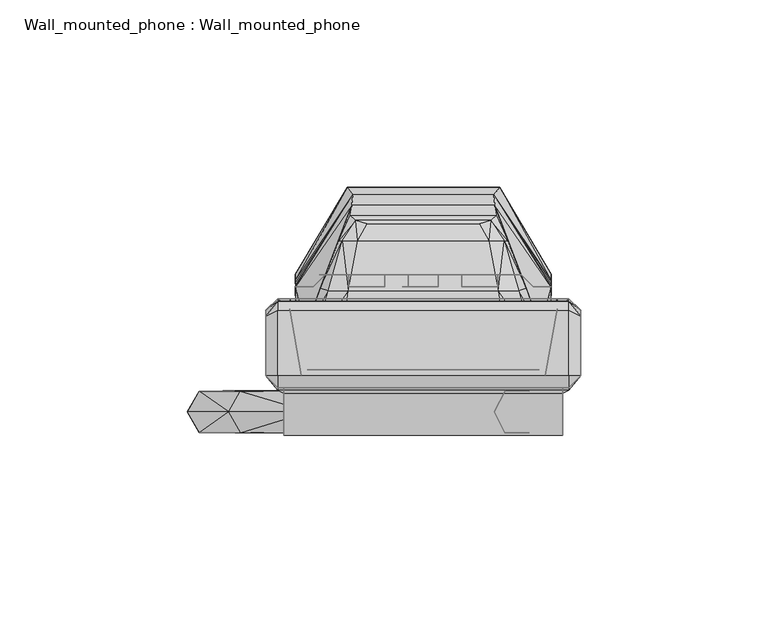
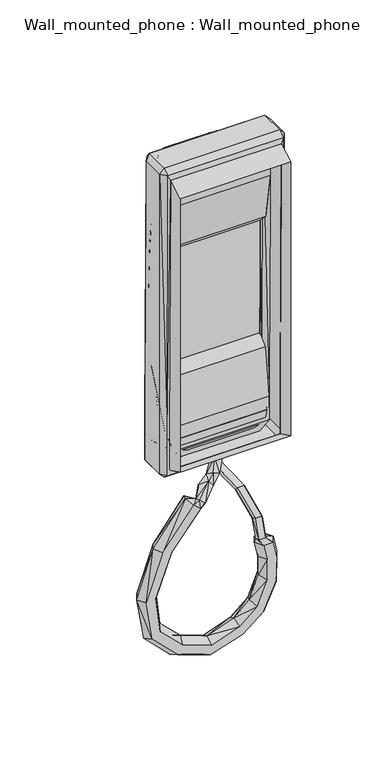
"""IFC4 building model written with IfcOpenShell, lengths in millimetres: proxy geometry, Wall_mounted_phone : Wall_mounted_phone."""

from ifc_helpers import new_model, si_unit, origin, place, context, project, spatial, triangles, source, transform, mapped, element, save


def wall_mounted_phone_wall_mounted_phone_d5e46bb4(model_context):
    return source(origin(), model_context, "Body", "Tessellation", [
        triangles([(-5.5562492, 39.6874985, 1098.4839988), (-5.5562492, 39.6874985, 1108.0089988), (3.968753, 39.6874985, 1098.4839988), (3.968753, 39.6874985, 1108.0089988), (-5.5562492, 39.6874985, 1084.1964988), (-5.5562492, 39.6874985, 1093.7214988), (3.968753, 39.6874985, 1084.1964988), (3.968753, 39.6874985, 1093.7214988), (-5.5562492, 39.6874985, 1112.7714988), (-5.5562492, 39.6874985, 1122.2964988), (3.968753, 39.6874985, 1112.7714988), (3.968753, 39.6874985, 1122.2964988), (-5.5562492, 42.8625, 1108.0089988), (3.968753, 42.8625, 1108.0089988), (3.968753, 42.8625, 1098.4839988), (-5.5562492, 42.8625, 1098.4839988), (-5.5562492, 42.8625, 1093.7214988), (3.968753, 42.8625, 1093.7214988), (3.968753, 42.8625, 1084.1964988), (-5.5562492, 42.8625, 1084.1964988), (-5.5562492, 42.8625, 1122.2964988), (3.968753, 42.8625, 1122.2964988), (3.968753, 42.8625, 1112.7714988), (-5.5562492, 42.8625, 1112.7714988), (-5.5562492, 39.6874985, 1127.0589988), (-5.5562492, 39.6874985, 1136.5839988), (3.968753, 39.6874985, 1127.0589988), (3.968753, 39.6874985, 1136.5839988), (-5.5562492, 42.8625, 1136.5839988), (3.968753, 42.8625, 1136.5839988), (3.968753, 42.8625, 1127.0589988), (-5.5562492, 42.8625, 1127.0589988), (-3.9687485, 39.6874985, 1122.2964988), (-3.9687485, 42.8625, 1122.2964988), (-3.9687485, 42.8625, 1112.7714988), (-3.9687485, 39.6874985, 1112.7714988), (-10.3187492, 39.6874985, 1122.2964988), (-10.3187492, 42.8625, 1122.2964988), (-10.3187492, 39.6874985, 1112.7714988), (-10.3187492, 42.8625, 1112.7714988), (-19.8437492, 42.8625045, 1112.7714988), (-19.8437492, 39.687503, 1112.7714988), (-19.8437492, 42.8625045, 1122.2964988), (-19.8437492, 39.687503, 1122.2964988), (-10.3187492, 39.6874985, 1108.0089988), (-10.3187492, 42.8625, 1108.0089988), (-10.3187492, 39.6874985, 1098.4839988), (-10.3187492, 42.8625, 1098.4839988), (-19.8437492, 42.8625045, 1098.4839988), (-19.8437492, 39.687503, 1098.4839988), (-19.8437492, 42.8625045, 1108.0089988), (-19.8437492, 39.687503, 1108.0089988), (-10.3187492, 39.6874985, 1093.7214988), (-10.3187492, 42.8625, 1093.7214988), (-10.3187492, 39.6874985, 1084.1964988), (-10.3187492, 42.8625, 1084.1964988), (-19.8437492, 42.8625045, 1084.1964988), (-19.8437492, 39.687503, 1084.1964988), (-19.8437492, 42.8625045, 1093.7214988), (-19.8437492, 39.687503, 1093.7214988), (-3.9687485, 39.6874985, 1093.7214988), (-3.9687485, 42.8625, 1093.7214988), (-3.9687485, 42.8625, 1084.1964988), (-3.9687485, 39.6874985, 1084.1964988), (-3.9687485, 39.6874985, 1108.0089988), (-3.9687485, 42.8625, 1108.0089988), (-3.9687485, 42.8625, 1098.4839988), (-3.9687485, 39.6874985, 1098.4839988), (-3.9687485, 39.6874985, 1136.5839988), (-3.9687485, 42.8625, 1136.5839988), (-3.9687485, 42.8625, 1127.0589988), (-3.9687485, 39.6874985, 1127.0589988), (-10.3187492, 39.6874985, 1136.5839988), (-10.3187492, 42.8625, 1136.5839988), (-10.3187492, 39.6874985, 1127.0589988), (-10.3187492, 42.8625, 1127.0589988), (-19.8437492, 42.8625045, 1127.0589988), (-19.8437492, 39.687503, 1127.0589988), (-19.8437492, 42.8625045, 1136.5839988), (-19.8437492, 39.687503, 1136.5839988), (10.3187515, 42.8625, 1122.2964988), (10.3187515, 39.6874985, 1122.2964988), (10.3187515, 39.6874985, 1112.7714988), (10.3187515, 42.8625, 1112.7714988), (19.8437515, 39.6874985, 1112.7714988), (19.8437515, 42.8624955, 1112.7714988), (19.8437515, 39.6874985, 1122.2964988), (19.8437515, 42.8624955, 1122.2964988), (10.3187515, 42.8625, 1108.0089988), (10.3187515, 39.6874985, 1108.0089988), (10.3187515, 39.6874985, 1098.4839988), (10.3187515, 42.8625, 1098.4839988), (19.8437515, 39.6874985, 1098.4839988), (19.8437515, 42.8624955, 1098.4839988), (19.8437515, 39.6874985, 1108.0089988), (19.8437515, 42.8624955, 1108.0089988), (10.3187515, 42.8625, 1093.7214988), (10.3187515, 39.6874985, 1093.7214988), (10.3187515, 39.6874985, 1084.1964988), (10.3187515, 42.8625, 1084.1964988), (19.8437515, 39.6874985, 1084.1964988), (19.8437515, 42.8624955, 1084.1964988), (19.8437515, 39.6874985, 1093.7214988), (19.8437515, 42.8624955, 1093.7214988), (10.3187515, 42.8625, 1136.5839988), (10.3187515, 39.6874985, 1136.5839988), (10.3187515, 39.6874985, 1127.0589988), (10.3187515, 42.8625, 1127.0589988), (19.8437515, 39.6874985, 1127.0589988), (19.8437515, 42.8624955, 1127.0589988), (19.8437515, 39.6874985, 1136.5839988), (19.8437515, 42.8624955, 1136.5839988)], [[1, 3, 2], [4, 2, 3], [5, 7, 6], [8, 6, 7], [9, 11, 10], [12, 10, 11], [2, 4, 13], [14, 13, 4], [3, 1, 15], [16, 15, 1], [6, 8, 17], [18, 17, 8], [7, 5, 19], [20, 19, 5], [10, 12, 21], [22, 21, 12], [11, 9, 23], [24, 23, 9], [25, 27, 26], [28, 26, 27], [26, 28, 29], [30, 29, 28], [27, 25, 31], [32, 31, 25], [33, 35, 34], [35, 33, 36], [37, 39, 38], [40, 38, 39], [41, 39, 42], [39, 41, 40], [43, 41, 44], [42, 44, 41], [38, 44, 37], [44, 38, 43], [45, 47, 46], [48, 46, 47], [49, 47, 50], [47, 49, 48], [51, 49, 52], [50, 52, 49], [46, 52, 45], [52, 46, 51], [53, 55, 54], [56, 54, 55], [57, 55, 58], [55, 57, 56], [59, 57, 60], [58, 60, 57], [54, 60, 53], [60, 54, 59], [61, 63, 62], [63, 61, 64], [65, 67, 66], [67, 65, 68], [37, 42, 39], [42, 37, 44], [45, 50, 47], [50, 45, 52], [53, 58, 55], [58, 53, 60], [69, 71, 70], [71, 69, 72], [73, 75, 74], [76, 74, 75], [77, 75, 78], [75, 77, 76], [79, 77, 80], [78, 80, 77], [74, 80, 73], [80, 74, 79], [73, 78, 75], [78, 73, 80], [12, 23, 22], [23, 12, 11], [81, 83, 82], [83, 81, 84], [85, 83, 86], [84, 86, 83], [87, 86, 88], [86, 87, 85], [82, 87, 81], [88, 81, 87], [89, 91, 90], [91, 89, 92], [93, 91, 94], [92, 94, 91], [95, 94, 96], [94, 95, 93], [90, 95, 89], [96, 89, 95], [97, 99, 98], [99, 97, 100], [101, 99, 102], [100, 102, 99], [103, 102, 104], [102, 103, 101], [98, 103, 97], [104, 97, 103], [8, 19, 18], [19, 8, 7], [4, 15, 14], [15, 4, 3], [83, 85, 82], [87, 82, 85], [91, 93, 90], [95, 90, 93], [99, 101, 98], [103, 98, 101], [28, 31, 30], [31, 28, 27], [105, 107, 106], [107, 105, 108], [109, 107, 110], [108, 110, 107], [111, 110, 112], [110, 111, 109], [106, 111, 105], [112, 105, 111], [107, 109, 106], [111, 106, 109]], closed=False),
        triangles([(4.2898226, 43.7835512, 1011.8959429), (-0.4726774, 43.7835557, 1011.8959429), (-0.5678523, 46.6126481, 997.0744457), (4.1946477, 46.6126481, 997.0744457), (-0.5678523, 43.4254335, 997.0165095), (-0.4726819, 40.7412632, 1010.7540068), (4.1946477, 43.4254335, 997.0165095), (4.2898181, 40.7412587, 1010.7540068), (8.1443839, 39.5540764, 981.5109334), (3.3818839, 39.5540764, 981.5109334), (-16.7317708, 11.8254648, 873.3851932), (5.1529286, 11.8254626, 880.1334368), (-15.8151479, 11.8655128, 879.7604581), (3.3383409, 11.8655117, 886.3133648), (-55.8877894, 11.8254682, 898.1180949), (-38.9999323, 11.8254671, 881.4927288), (-35.517767, 11.8655151, 886.9110754), (-50.4694297, 11.8655162, 901.6002588), (19.2540846, 11.8254614, 891.6533005), (15.0362506, 11.8655105, 896.520954), (27.7416842, 11.8254603, 910.3872588), (21.8829121, 11.8655105, 913.0628585), (28.3210729, 11.8254603, 927.8124851), (25.7727183, 11.8254603, 938.6319919), (19.331905, 11.8655105, 938.6319919), (21.8802597, 11.8655105, 927.8124851), (-48.8428359, 11.8254671, 957.205731), (-42.6629235, 11.8655151, 955.3911615), (-28.0298014, 11.8254648, 983.8766139), (-23.1621616, 11.8655139, 979.6587754), (2.6901701, 19.9043469, 997.9039554), (-2.059976, 15.0223162, 989.5015794), (-2.5467695, 19.9043469, 997.9192342), (-6.4864, 15.022315, 990.9056907), (-2.5406925, 23.6110656, 997.9926127), (-9.6080323, 17.7266297, 989.8396947), (-11.3676678, 11.7902415, 988.7535691), (-17.324617, 13.5024859, 987.0523103), (2.6962471, 23.6110656, 997.9773157), (-7.226864, 17.7266308, 985.4681047), (-14.8260164, 13.5024836, 982.1691055), (-8.1532292, 11.7902415, 984.3819973), (3.3818839, 36.9626603, 984.3383953), (8.1443839, 36.9626603, 984.3383953), (15.8142146, 17.4791441, 972.7512029), (11.0517146, 17.4791441, 972.7512029), (11.0517146, 19.6019808, 970.2630735), (15.8142146, 19.6019808, 970.2630735), (-53.5253234, 11.8655162, 926.3059637), (-59.9005804, 11.8254682, 925.3893409), (-15.8052785, 0.7096996, 879.8290949), (3.3187972, 0.709698, 886.3799305), (5.1333803, 0.6696506, 880.2000025), (-16.721899, 0.6696525, 873.4538663), (-15.3519041, 6.3076319, 882.9823908), (2.421273, 6.3076302, 889.4365754), (-17.1851452, 6.2275331, 870.2318973), (6.0504483, 6.2275325, 877.0767557), (-50.3033675, 6.3076347, 926.7692167), (-47.7310772, 6.307633, 903.3600714), (-53.4566673, 0.7097029, 926.3158286), (-50.4110769, 0.7097026, 901.6377565), (-55.829432, 0.6696559, 898.1555926), (-38.9624312, 0.6696544, 881.5510828), (-40.7222645, 6.2275365, 878.8127325), (-58.5677857, 6.2275382, 896.3957436), (-35.4802676, 0.7097013, 886.9694294), (-33.7579339, 6.3076319, 889.6494257), (14.9908183, 0.7096969, 896.573349), (19.2086567, 0.6696493, 891.7057319), (21.3402853, 6.2275297, 889.2456713), (12.9046175, 6.3076279, 898.9809782), (30.6395133, 6.2275286, 909.0638657), (27.6785794, 0.6696486, 910.4160724), (21.8198119, 0.7096963, 913.0916722), (18.9219737, 6.307629, 914.4150834), (28.2517094, 0.6696486, 927.8124851), (25.7033502, 0.6696487, 938.6319919), (28.9584432, 6.2275308, 938.6319919), (31.5067978, 6.2275286, 927.8124851), (18.6251713, 6.307629, 927.8124851), (16.0768167, 6.307629, 938.6319919), (19.2625415, 0.7096965, 938.6319919), (21.8108962, 0.7096963, 927.8124851), (21.5106374, 1.8586255, 942.7009477), (21.5106374, 5.7213163, 941.6053569), (16.7481374, 5.7213168, 941.6053569), (16.7481374, 1.8586258, 942.7009477), (-42.5963679, 0.7097019, 955.3716133), (-23.109737, 0.7097002, 979.6133567), (-39.5396863, 6.3076325, 954.4740845), (-20.7021271, 6.3076308, 977.5271468), (-27.9773791, 0.6696535, 983.8311952), (-48.776281, 0.6696552, 957.1862009), (-19.4172355, 1.8185804, 981.8787889), (-20.1282091, 5.6812745, 981.0452097), (-23.0407527, 1.818579, 984.9693524), (21.6790683, 9.7904351, 953.502832), (22.0159254, 7.0548911, 954.8417582), (16.9165683, 9.7904328, 953.502832), (17.2534254, 7.0548899, 954.8417582), (-51.8995154, 6.2275359, 958.1032597), (-30.4374102, 6.2275342, 985.9628238), (-23.7517263, 5.6812751, 984.1357732), (-59.8319221, 0.6696562, 925.399224), (-63.0538797, 6.2275388, 924.935971)], [[1, 3, 2], [3, 1, 4], [3, 5, 2], [5, 6, 2], [1, 7, 4], [1, 8, 7], [6, 7, 8], [7, 6, 5], [4, 9, 3], [10, 3, 9], [11, 13, 12], [13, 14, 12], [15, 17, 16], [17, 15, 18], [16, 17, 11], [13, 11, 17], [12, 14, 19], [14, 20, 19], [19, 20, 21], [20, 22, 21], [23, 25, 24], [25, 23, 26], [23, 22, 26], [23, 21, 22], [27, 29, 28], [29, 30, 28], [31, 33, 32], [33, 34, 32], [35, 36, 33], [36, 34, 33], [36, 37, 34], [36, 38, 37], [39, 32, 40], [39, 31, 32], [35, 40, 36], [35, 39, 40], [40, 41, 36], [41, 38, 36], [42, 34, 37], [42, 32, 34], [32, 42, 40], [42, 41, 40], [43, 45, 44], [45, 43, 46], [5, 10, 43], [5, 3, 10], [44, 9, 7], [9, 4, 7], [5, 43, 7], [44, 7, 43], [10, 47, 43], [47, 46, 43], [44, 48, 9], [44, 45, 48], [9, 47, 10], [47, 9, 48], [49, 18, 50], [18, 15, 50], [28, 49, 27], [49, 50, 27], [51, 53, 52], [51, 54, 53], [51, 52, 55], [52, 56, 55], [57, 58, 54], [58, 53, 54], [59, 61, 60], [61, 62, 60], [63, 65, 64], [63, 66, 65], [62, 63, 67], [64, 67, 63], [60, 67, 68], [60, 62, 67], [67, 51, 68], [51, 55, 68], [65, 57, 64], [57, 54, 64], [67, 54, 51], [54, 67, 64], [52, 70, 69], [52, 53, 70], [58, 71, 53], [71, 70, 53], [52, 69, 56], [69, 72, 56], [71, 73, 70], [73, 74, 70], [69, 74, 75], [69, 70, 74], [69, 75, 72], [75, 76, 72], [77, 79, 78], [79, 77, 80], [81, 83, 82], [83, 81, 84], [84, 77, 83], [78, 83, 77], [74, 77, 75], [77, 84, 75], [76, 84, 81], [76, 75, 84], [74, 80, 77], [74, 73, 80], [85, 78, 86], [78, 79, 86], [83, 87, 82], [83, 88, 87], [88, 83, 85], [83, 78, 85], [89, 91, 90], [91, 92, 90], [93, 89, 90], [93, 94, 89], [95, 90, 96], [90, 92, 96], [95, 97, 90], [97, 93, 90], [91, 89, 59], [89, 61, 59], [98, 85, 86], [98, 99, 85], [87, 88, 100], [88, 101, 100], [98, 87, 100], [87, 98, 86], [101, 85, 99], [85, 101, 88], [102, 94, 103], [94, 93, 103], [93, 104, 103], [93, 97, 104], [62, 105, 63], [62, 61, 105], [105, 106, 63], [106, 66, 63], [94, 102, 105], [102, 106, 105], [61, 94, 105], [61, 89, 94], [14, 55, 56], [14, 13, 55], [58, 11, 12], [58, 57, 11], [49, 60, 18], [49, 59, 60], [106, 15, 66], [106, 50, 15], [18, 60, 17], [60, 68, 17], [66, 15, 65], [15, 16, 65], [13, 68, 55], [13, 17, 68], [57, 16, 11], [57, 65, 16], [71, 12, 19], [71, 58, 12], [20, 56, 72], [20, 14, 56], [73, 19, 21], [73, 71, 19], [22, 72, 76], [22, 20, 72], [80, 23, 79], [24, 79, 23], [26, 81, 25], [82, 25, 81], [22, 76, 26], [76, 81, 26], [73, 21, 80], [21, 23, 80], [86, 79, 24], [82, 87, 25], [25, 86, 24], [25, 87, 86], [91, 30, 92], [91, 28, 30], [27, 103, 29], [27, 102, 103], [95, 37, 97], [95, 42, 37], [104, 30, 29], [104, 96, 30], [96, 92, 30], [103, 104, 29], [38, 96, 104], [38, 41, 96], [42, 96, 41], [42, 95, 96], [38, 104, 37], [104, 97, 37], [48, 98, 47], [100, 47, 98], [45, 99, 48], [99, 98, 48], [47, 101, 46], [47, 100, 101], [46, 101, 45], [99, 45, 101], [102, 50, 106], [102, 27, 50], [28, 59, 49], [28, 91, 59]], closed=False),
        triangles([(-18.8494036, 64.1608548, 1050.8590079), (18.8494081, 64.1608548, 1050.8590079), (20.3732477, 66.2132322, 1109.5965019), (-20.3732432, 66.2132322, 1109.5965019), (-19.442561, 58.7403054, 1022.6117495), (19.4425632, 58.7403054, 1022.6117495), (19.145988, 61.4140702, 1030.8958369), (-19.1459812, 61.4140702, 1030.8958369), (18.013231, 57.4402757, 1019.8173344), (-18.0132242, 57.4402757, 1019.8173344), (-14.9785484, 56.4760404, 1018.3167355), (14.9785507, 56.4760404, 1018.3167355), (-17.5431289, 51.8890702, 1015.0208248), (17.5431334, 51.8890702, 1015.0208248), (-33.9269302, 38.2426285, 1074.6714988), (-30.9562477, 39.687503, 1077.8465049), (33.9269353, 38.2426194, 1074.6714988), (29.3687515, 39.6874985, 1077.8465049), (-27.7812474, 42.8625045, 1081.0215019), (26.19375, 42.8624955, 1081.0215019), (33.9117655, 37.6637439, 1070.9706255), (-33.9117569, 37.6637507, 1070.9706255), (33.8745675, 31.749997, 1063.5589958), (-33.8745658, 31.7500038, 1063.5589958), (33.9224025, 36.4899852, 1068.3215049), (-33.922398, 36.4899897, 1068.3215049), (-18.1585505, 28.846704, 1048.4777579), (-33.8700239, 30.162503, 1060.3840079), (18.1585528, 28.8466972, 1048.4777579), (33.8700256, 30.1624962, 1060.3840079), (-22.0944272, 17.4625015, 1011.1714958), (22.0944317, 17.4625004, 1011.1714958), (-22.0950381, 22.9024561, 1008.1336362), (22.0950358, 22.9024538, 1008.1336362), (18.2891634, 22.4966987, 1025.4589958), (30.95625, 17.462497, 1021.1863278), (-18.2891634, 22.4967032, 1025.4589958), (-30.95625, 17.4625049, 1021.1863278), (29.8133101, 17.462497, 1013.9087561), (-29.813309, 17.4625049, 1013.9087561), (20.0010048, 38.3601313, 1010.1367298), (-20.000998, 38.3601358, 1010.1367298), (19.4425632, 58.7403054, 1196.5812474), (-19.442561, 58.7403054, 1196.5812474), (19.145988, 61.4140702, 1188.2971736), (-19.1459812, 61.4140702, 1188.2971736), (-18.8494036, 64.1608548, 1168.3340004), (18.8494081, 64.1608548, 1168.3340004), (-18.0132242, 57.4402757, 1199.3756762), (18.013231, 57.4402757, 1199.3756762), (-14.9785484, 56.4760404, 1200.8762625), (14.9785507, 56.4760404, 1200.8762625), (17.5431334, 51.8890702, 1204.1721664), (-17.5431289, 51.8890702, 1204.1721664), (29.3687515, 39.6874985, 1141.3464988), (26.19375, 42.8624955, 1138.1715019), (-30.9562477, 39.687503, 1141.3464988), (-27.7812474, 42.8625045, 1138.1715019), (-33.9117569, 37.6637507, 1148.2223827), (33.9117655, 37.6637439, 1148.2223827), (33.9269353, 38.2426194, 1144.5215004), (-33.9269302, 38.2426285, 1144.5215004), (-33.8745658, 31.7500038, 1155.6340034), (33.8745675, 31.749997, 1155.6340034), (33.9224025, 36.4899852, 1150.8715034), (-33.922398, 36.4899897, 1150.8715034), (30.95625, 17.462497, 1198.0066691), (18.2891634, 22.4966987, 1193.7340011), (-18.2891634, 22.4967032, 1193.7340011), (-30.95625, 17.4625049, 1198.0066691), (22.0944317, 17.4625004, 1208.0215022), (-22.0944272, 17.4625015, 1208.0215022), (-22.0950381, 22.9024561, 1211.0593738), (22.0950358, 22.9024538, 1211.0593738), (29.8133101, 17.462497, 1205.2842534), (-29.813309, 17.4625049, 1205.2842534), (-33.8700239, 30.162503, 1158.8090004), (-18.1585505, 28.846704, 1170.7152504), (18.1585528, 28.8466972, 1170.7152504), (33.8700256, 30.1624962, 1158.8090004), (20.0010048, 38.3601313, 1209.056274), (-20.000998, 38.3601358, 1209.056274), (-21.5881604, 51.8890702, 1016.7307858), (-22.5235911, 51.8890702, 1020.6341086), (-34.1278928, 40.3339707, 1065.1465079), (-34.1247952, 40.9504301, 1068.3215049), (-34.1338245, 41.2407376, 1071.4965019), (-29.3687481, 39.687503, 1077.8465049), (-34.1312475, 39.687503, 1109.5965019), (-29.3687481, 39.687503, 1109.5965019), (-33.863038, 39.9095007, 1109.5965019), (-34.1378912, 43.0051285, 1109.5965019), (-28.9301609, 25.3575093, 1011.4742753), (-31.2168321, 28.6168761, 1020.4875514), (-34.1743863, 39.5469638, 1061.9715019), (-25.4331996, 38.589941, 1012.1739056), (-27.494193, 39.1644563, 1018.8807636), (-21.5881604, 51.8890702, 1202.4622122), (-22.5235911, 51.8890702, 1198.5589019), (-34.1278928, 40.3339707, 1154.0465004), (-34.1247952, 40.9504301, 1150.8715034), (-34.1338245, 41.2407376, 1147.6965019), (-28.9301609, 25.3575093, 1207.7187284), (-31.2168321, 28.6168761, 1198.7054591), (-34.1743863, 39.5469638, 1157.2215019), (-25.4331996, 38.589941, 1207.0191039), (-27.494193, 39.1644563, 1200.3122526), (-29.3687481, 39.687503, 1141.3464988), (-26.1937466, 42.8625045, 1081.0215019), (-26.1937466, 42.8625045, 1138.1715019), (21.5881627, 51.8890702, 1016.7307858), (22.5235979, 51.8890702, 1020.6341086), (34.1278951, 40.3339616, 1065.1465079), (34.1248021, 40.950421, 1068.3215049), (34.1338313, 41.2407285, 1071.4965019), (34.1312515, 39.6874985, 1109.5965019), (29.3687515, 39.6874985, 1109.5965019), (33.8630448, 39.9094962, 1109.5965019), (34.1378917, 43.0051194, 1109.5965019), (28.9301655, 25.3575024, 1011.4742753), (31.2168355, 28.6168693, 1020.4875514), (34.1743902, 39.5469593, 1061.9715019), (25.4332041, 38.5899365, 1012.1739056), (27.4941975, 39.1644517, 1018.8807636), (21.5881627, 51.8890702, 1202.4622122), (22.5235979, 51.8890702, 1198.5589019), (34.1278951, 40.3339616, 1154.0465004), (34.1248021, 40.950421, 1150.8715034), (34.1338313, 41.2407285, 1147.6965019), (28.9301655, 25.3575024, 1207.7187284), (31.2168355, 28.6168693, 1198.7054591), (34.1743902, 39.5469593, 1157.2215019), (25.4332041, 38.5899365, 1207.0191039), (27.4941975, 39.1644517, 1200.3122526), (-38.8937481, 36.5125038, 1001.6464958), (-29.3687481, 36.5125038, 1004.8215019), (-35.7187483, 36.5125038, 1011.1714958), (-42.0687485, 33.3375023, 1001.6464958), (-38.8937484, 33.3375023, 998.4715079), (-38.8937481, 36.5125038, 1011.1714958), (-42.0687485, 33.3375023, 1031.8090079), (38.8937515, 36.512497, 1001.6464958), (29.3687515, 36.512497, 1004.8215019), (38.8937515, 33.3374977, 998.4715079), (35.7187545, 36.512497, 1011.1714958), (42.0687485, 33.3374977, 1001.6464958), (38.8937515, 36.512497, 1011.1714958), (42.0687485, 33.3374977, 1031.8090079), (26.19375, 17.462497, 1007.9965079), (32.543753, 17.0324133, 1013.9253611), (-26.19375, 17.4625049, 1007.9965079), (-32.5437502, 17.0324213, 1013.9253611), (-32.5437502, 17.5301221, 1030.3262496), (32.543753, 17.5301153, 1030.3262496), (32.543753, 21.6856699, 1063.1050083), (-32.5437491, 21.6856744, 1063.1050083), (38.8937515, 12.6999981, 1001.6464958), (37.3062485, 12.6999981, 1004.8215019), (38.8937515, 12.6999981, 1031.8090079), (37.3062485, 12.6999981, 1031.8090079), (-38.8937501, 12.7000026, 1001.6464958), (-37.3062505, 12.7000026, 1004.8215019), (-38.8937501, 12.7000026, 1031.8090079), (-37.3062505, 12.7000026, 1031.8090079), (42.0687485, 15.8749985, 1001.6464958), (38.8937515, 15.8749985, 998.4715079), (42.0687485, 15.8749985, 1031.8090079), (-38.8937501, 15.875003, 998.4715079), (-42.06875, 15.875003, 1001.6464958), (-42.06875, 15.875003, 1031.8090079), (4.6112556, 18.7824462, 998.2533526), (4.6112556, 25.1324435, 998.2533526), (-4.9137467, 18.7824439, 998.2533526), (-4.9137467, 25.1324435, 998.2533526), (-32.5437491, 28.4203151, 1069.1033431), (32.543753, 28.4203106, 1069.1033431), (38.8937515, 35.7461171, 1215.9590018), (42.0687485, 31.749997, 1215.9590018), (38.8937515, 33.3374977, 1219.1340019), (-42.0687486, 31.7500038, 1215.9590018), (-38.8937481, 35.7461216, 1215.9590018), (-38.8937484, 33.3375023, 1219.1340019), (29.3687515, 35.3611683, 1214.3715019), (35.7187545, 33.8276976, 1208.0215022), (-29.3687481, 35.3611751, 1214.3715019), (-35.7187483, 33.8277045, 1208.0215022), (32.543753, 16.1785694, 1203.6820562), (26.19375, 17.1463405, 1210.0320564), (-26.19375, 17.1463473, 1210.0320564), (-32.5437502, 16.1785773, 1203.6820562), (-32.5437502, 16.0985552, 1188.9185383), (32.543753, 16.0985484, 1188.9185383), (38.8937515, 11.9336193, 1215.9590018), (37.3062485, 11.1249977, 1212.6090004), (-38.8937504, 11.9336239, 1215.9590018), (-37.3062505, 11.1250023, 1212.6090004), (-42.06875, 15.875003, 1215.9590018), (-38.8937501, 15.875003, 1219.1340019), (38.8937515, 15.8749985, 1219.1340019), (42.0687485, 15.8749985, 1215.9590018), (-32.5437491, 21.4414987, 1156.5063929), (32.543753, 21.4414942, 1156.5063929), (-32.5437491, 27.8005401, 1149.7318791), (32.543753, 27.8005356, 1149.7318791), (37.3062485, -3.3e-06, 1011.1714958), (-37.3062516, 3.3e-06, 1011.1714958), (37.3062485, -3.3e-06, 1206.4340015), (-37.3062516, 3.3e-06, 1206.4340015)], [[1, 3, 2], [3, 1, 4], [5, 7, 6], [7, 5, 8], [8, 1, 7], [2, 7, 1], [9, 11, 10], [11, 9, 12], [13, 12, 14], [12, 13, 11], [6, 9, 5], [10, 5, 9], [15, 17, 16], [18, 16, 17], [16, 18, 19], [20, 19, 18], [21, 17, 22], [15, 22, 17], [23, 25, 24], [26, 24, 25], [25, 22, 26], [22, 25, 21], [27, 29, 28], [30, 28, 29], [31, 33, 32], [34, 32, 33], [35, 37, 36], [38, 36, 37], [32, 39, 31], [40, 31, 39], [36, 38, 39], [40, 39, 38], [35, 29, 37], [27, 37, 29], [30, 24, 28], [24, 30, 23], [33, 41, 34], [41, 33, 42], [42, 13, 41], [14, 41, 13], [43, 45, 44], [46, 44, 45], [45, 47, 46], [47, 45, 48], [49, 51, 50], [52, 50, 51], [53, 52, 54], [51, 54, 52], [44, 50, 43], [50, 44, 49], [55, 57, 56], [58, 56, 57], [59, 61, 60], [61, 59, 62], [61, 62, 55], [57, 55, 62], [63, 65, 64], [65, 63, 66], [66, 59, 65], [60, 65, 59], [67, 69, 68], [69, 67, 70], [71, 73, 72], [73, 71, 74], [72, 75, 71], [75, 72, 76], [75, 70, 67], [70, 75, 76], [77, 79, 78], [79, 77, 80], [69, 79, 68], [79, 69, 78], [74, 81, 73], [82, 73, 81], [77, 63, 80], [64, 80, 63], [81, 54, 82], [54, 81, 53], [13, 10, 11], [13, 83, 10], [5, 10, 84], [10, 83, 84], [84, 8, 5], [24, 26, 85], [22, 86, 26], [86, 85, 26], [15, 87, 22], [87, 86, 22], [15, 89, 88], [89, 90, 88], [91, 92, 15], [92, 87, 15], [38, 27, 28], [38, 37, 27], [40, 94, 93], [40, 38, 94], [40, 93, 31], [93, 33, 31], [38, 28, 94], [28, 95, 94], [93, 42, 33], [93, 96, 42], [95, 24, 85], [95, 28, 24], [97, 96, 94], [96, 93, 94], [84, 97, 8], [97, 94, 8], [8, 95, 1], [8, 94, 95], [87, 4, 1], [87, 92, 4], [1, 95, 85], [1, 86, 87], [1, 85, 86], [97, 83, 96], [97, 84, 83], [96, 83, 42], [83, 13, 42], [51, 49, 54], [49, 98, 54], [99, 49, 44], [99, 98, 49], [44, 46, 99], [100, 66, 63], [66, 101, 59], [66, 100, 101], [59, 102, 62], [59, 101, 102], [103, 104, 76], [104, 70, 76], [72, 103, 76], [72, 73, 103], [77, 78, 70], [78, 69, 70], [100, 63, 105], [63, 77, 105], [73, 82, 103], [82, 106, 103], [104, 106, 107], [104, 103, 106], [104, 77, 70], [104, 105, 77], [47, 105, 46], [105, 104, 46], [46, 107, 99], [46, 104, 107], [82, 98, 106], [82, 54, 98], [106, 98, 107], [98, 99, 107], [102, 101, 47], [101, 100, 47], [100, 105, 47], [89, 108, 90], [89, 62, 108], [62, 92, 91], [62, 102, 92], [88, 110, 109], [110, 88, 108], [47, 4, 102], [4, 92, 102], [12, 9, 14], [9, 111, 14], [112, 9, 6], [112, 111, 9], [6, 7, 112], [113, 25, 23], [25, 114, 21], [25, 113, 114], [21, 115, 17], [21, 114, 115], [17, 116, 18], [116, 117, 18], [17, 119, 118], [17, 115, 119], [30, 29, 36], [29, 35, 36], [120, 121, 39], [121, 36, 39], [32, 120, 39], [32, 34, 120], [121, 30, 36], [121, 122, 30], [34, 41, 120], [41, 123, 120], [113, 23, 122], [23, 30, 122], [121, 123, 124], [121, 120, 123], [7, 124, 112], [7, 121, 124], [2, 122, 7], [122, 121, 7], [2, 3, 115], [3, 119, 115], [113, 122, 2], [115, 114, 2], [114, 113, 2], [123, 111, 124], [111, 112, 124], [41, 111, 123], [41, 14, 111], [53, 50, 52], [53, 125, 50], [43, 50, 126], [50, 125, 126], [126, 45, 43], [64, 65, 127], [60, 128, 65], [128, 127, 65], [61, 129, 60], [129, 128, 60], [75, 131, 130], [75, 67, 131], [75, 130, 71], [130, 74, 71], [67, 79, 80], [67, 68, 79], [132, 64, 127], [132, 80, 64], [130, 81, 74], [130, 133, 81], [134, 133, 131], [133, 130, 131], [67, 80, 131], [80, 132, 131], [45, 132, 48], [45, 131, 132], [126, 134, 45], [134, 131, 45], [133, 125, 81], [125, 53, 81], [134, 125, 133], [134, 126, 125], [48, 128, 129], [48, 127, 128], [48, 132, 127], [116, 55, 117], [116, 61, 55], [118, 119, 61], [119, 129, 61], [18, 56, 20], [56, 18, 55], [129, 3, 48], [129, 119, 3], [19, 20, 58], [56, 58, 20], [48, 3, 47], [4, 47, 3], [135, 137, 136], [135, 139, 138], [138, 140, 135], [140, 138, 141], [135, 140, 137], [142, 135, 143], [136, 143, 135], [142, 139, 135], [139, 142, 144], [143, 145, 142], [146, 144, 142], [145, 147, 142], [142, 147, 146], [148, 146, 147], [149, 151, 150], [152, 150, 151], [152, 153, 150], [154, 150, 153], [153, 155, 154], [155, 153, 156], [157, 159, 158], [160, 158, 159], [161, 158, 162], [158, 161, 157], [163, 161, 164], [162, 164, 161], [165, 157, 166], [165, 159, 157], [159, 165, 167], [166, 161, 168], [161, 166, 157], [168, 161, 169], [161, 163, 169], [170, 169, 163], [171, 173, 172], [174, 172, 173], [156, 175, 155], [176, 155, 175], [145, 155, 176], [145, 150, 155], [152, 137, 156], [137, 175, 156], [149, 145, 143], [149, 150, 145], [151, 149, 136], [143, 136, 149], [137, 151, 136], [137, 152, 151], [139, 168, 138], [169, 138, 168], [169, 141, 138], [141, 169, 170], [144, 166, 139], [168, 139, 166], [146, 166, 144], [166, 146, 165], [146, 148, 165], [167, 165, 148], [177, 179, 178], [180, 182, 181], [183, 177, 184], [181, 177, 185], [183, 185, 177], [179, 177, 182], [181, 182, 177], [181, 185, 186], [187, 189, 188], [189, 187, 190], [187, 191, 190], [191, 187, 192], [193, 195, 194], [196, 194, 195], [195, 198, 197], [195, 199, 198], [199, 195, 193], [200, 199, 193], [201, 192, 202], [192, 201, 191], [203, 201, 204], [202, 204, 201], [203, 186, 201], [186, 191, 201], [204, 202, 184], [202, 192, 184], [183, 184, 188], [184, 187, 188], [184, 192, 187], [179, 199, 178], [200, 178, 199], [199, 182, 198], [182, 199, 179], [185, 188, 189], [188, 185, 183], [185, 189, 186], [189, 190, 186], [186, 190, 191], [180, 198, 182], [198, 180, 197], [175, 204, 176], [204, 175, 203], [137, 203, 175], [137, 186, 203], [145, 204, 184], [145, 176, 204], [180, 181, 141], [181, 140, 141], [181, 186, 140], [186, 137, 140], [148, 177, 178], [148, 147, 177], [147, 184, 177], [147, 145, 184], [167, 200, 159], [200, 193, 159], [159, 194, 160], [159, 193, 194], [196, 163, 164], [196, 195, 163], [163, 197, 170], [163, 195, 197], [170, 197, 141], [180, 141, 197], [148, 200, 167], [200, 148, 178], [158, 205, 162], [206, 162, 205], [196, 207, 194], [207, 196, 208], [206, 208, 162], [164, 162, 208], [158, 207, 205], [207, 158, 160], [160, 194, 207], [208, 196, 164]], closed=False),
    ])


if __name__ == "__main__":
    model = new_model("IFC4")
    model_context = context("Model", 3, world=origin())
    ifc_project = project(units=[si_unit("LENGTHUNIT", "METRE", prefix="MILLI")], contexts=[model_context])
    site = spatial("IfcSite", under=ifc_project)
    building = spatial("IfcBuilding", under=site)
    placement = place(None, origin())
    wall_mounted_phone_wall_mounted_phone_shape = wall_mounted_phone_wall_mounted_phone_d5e46bb4(model_context)
    element("IfcBuildingElementProxy", 1, Name="Wall_mounted_phone : Wall_mounted_phone", ObjectType="Wall_mounted_phone : Wall_mounted_phone", at=placement, inside=building, context=model_context, shape_type="MappedRepresentation", body=[
        mapped(wall_mounted_phone_wall_mounted_phone_shape, transform((0.0, 0.0, 0.0), x_axis=(1.0, 0.0, 0.0), y_axis=(0.0, 1.0, 0.0), z_axis=(0.0, 0.0, 1.0))),
    ])
    save(model, "model.ifc")
